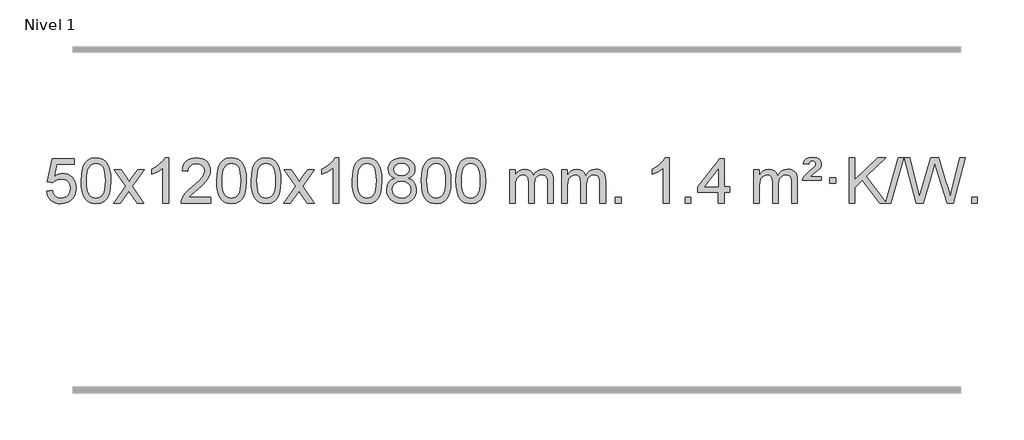
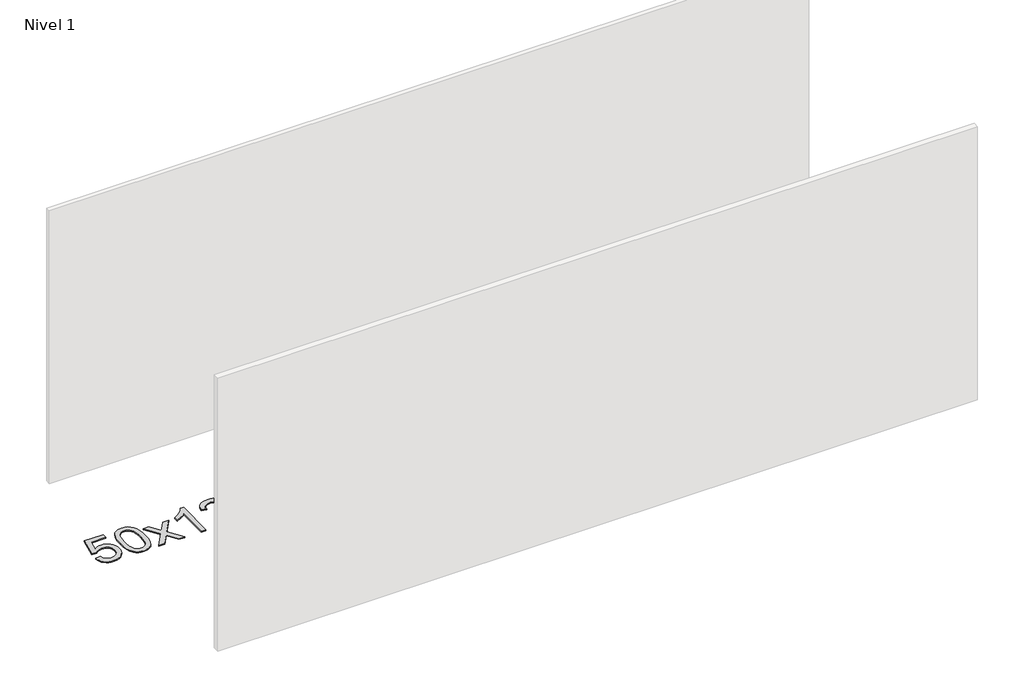
# One storey, part 8 of 10: 1 proxy.
"""IFC4 building model written with IfcOpenShell, lengths in millimetres."""

from ifc_helpers import new_model, si_unit, origin, origin_with_axes, place, context, project, spatial, polyline, outline, extrude, element, save

model = new_model("IFC4")

# Units and contexts
model_context = context("Model", 3, world=origin())
ifc_project = project(units=[si_unit("LENGTHUNIT", "METRE", prefix="MILLI")], contexts=[model_context])

# Site, building, storey
site = spatial("IfcSite", under=ifc_project)
building = spatial("IfcBuilding", under=site)
storey = spatial("IfcBuildingStorey", under=building, Name="Nivel 1", Elevation=0.0)

# Proxy
placement = place(None, origin())
element("IfcBuildingElementProxy", 1, Name="Texto de modelo 1", ObjectType="Texto de modelo 1", at=placement, inside=storey, context=model_context, shape_type="SweptSolid", body=[
    extrude(outline(polyline([(-463.8171603, -284.8446235), (-413.5890052, -278.5661041), (-404.3674299, -308.7201649), (-388.278724, -330.3148381), (-365.3964639, -343.3010725), (-335.794226, -347.6298173), (-316.6643622, -346.1245668), (-299.7908414, -341.6088153), (-285.1736634, -334.0825628), (-272.8128284, -323.5458094), (-262.9842478, -310.519721), (-255.963833, -295.5254641), (-250.3475012, -259.6324441), (-255.6082138, -225.8363514), (-262.1841044, -211.9181493), (-271.3903514, -199.9865099), (-283.2576114, -190.4154467), (-297.8165413, -183.5789729), (-335.0094111, -178.1097939), (-359.3754619, -180.2925604), (-379.1061995, -186.8408599), (-394.8638117, -196.8717757), (-407.3104858, -209.5023908), (-457.5386409, -203.2238715), (-413.5890052, 3.9672682), (-218.9549043, 3.9672682), (-218.9549043, -46.2608869), (-372.974833, -46.2608869), (-394.4591415, -156.919791), (-376.7333607, -144.2155994), (-358.5783842, -135.1411769), (-339.9942121, -129.6965234), (-320.9808443, -127.8816388), (-296.5197573, -130.1318504), (-274.0513645, -136.882485), (-253.5756657, -148.1335427), (-235.0926612, -163.8850234), (-219.7918358, -183.1743027), (-208.8626749, -205.038756), (-202.3051783, -229.4783832), (-200.1193462, -256.4931844), (-202.0875148, -282.5147042), (-207.9920209, -306.7213394), (-217.8328642, -329.1130902), (-231.6100449, -349.6899565), (-252.4812168, -370.7634634), (-276.8350049, -385.8159684), (-304.6714092, -394.8474714), (-335.9904297, -397.8579724), (-361.9107819, -395.9235262), (-385.3234053, -390.1201877), (-406.2282996, -380.447957), (-424.6254651, -366.9068338), (-439.9324218, -350.1712688), (-451.5666899, -330.915712), (-459.5282694, -309.1401636), (-463.8171603, -284.8446235)])), origin_with_axes(), (0.0, 0.0, 1.0), 10.0),
    extrude(outline(polyline([(-156.1697105, -193.9041943), (-152.4786278, -129.5861588), (-141.4053797, -78.2911459), (-123.0603309, -39.2343407), (-111.2022679, -24.0009605), (-97.5538459, -11.6309284), (-82.0690796, -2.0598651), (-64.7019837, 4.7766086), (-24.3208034, 10.2457876), (6.6303351, 7.008426), (34.3441121, -2.7036586), (57.5206778, -18.5103217), (74.8601825, -40.0314184), (87.9567815, -67.0830078), (98.4046302, -99.4811488), (105.2472353, -140.6226186), (107.5281037, -193.9041943), (103.8738092, -257.8543477), (92.9109257, -309.0267333), (74.6762415, -348.1203266), (62.8457697, -363.3996922), (49.2065447, -375.8341036), (33.7033843, -385.4695462), (16.2811061, -392.3520052), (-24.3208034, -397.8579724), (-51.9855294, -395.4667394), (-76.5109958, -388.2930405), (-97.8972024, -376.3368757), (-116.1441494, -359.5982449), (-133.6553324, -329.3399508), (-146.1633202, -291.6381776), (-153.6681129, -246.4929255), (-156.1697105, -193.9041943)]), holes=[polyline([(-105.9415554, -193.8060924), (-104.4700274, -237.4706195), (-100.0554435, -272.8148822), (-92.6978036, -299.8388804), (-82.3971077, -318.5426142), (-69.9381708, -331.2682656), (-56.1058078, -340.3580165), (-40.9000186, -345.8118671), (-24.3208034, -347.6298173), (-7.7415881, -345.8057357), (7.464201, -340.3334911), (21.296564, -331.2130833), (33.7555009, -318.4445124), (44.0561968, -299.7101217), (51.4138367, -272.6922549), (55.8284206, -237.3909118), (57.2999486, -193.8060924), (55.8774716, -151.2973278), (51.6100404, -116.5753989), (44.4976552, -89.6403055), (34.5403158, -70.4920476), (22.2898454, -57.1440625), (8.2980668, -47.6097875), (-7.4350198, -41.8892225), (-24.9094146, -39.9823675), (-41.4027907, -41.6623619), (-56.3510624, -46.7023452), (-69.7542298, -55.1023175), (-81.6122928, -66.8622786), (-92.2563452, -87.708925), (-99.8592397, -115.8151094), (-104.4209765, -151.1808319), (-105.9415554, -193.8060924)])]), origin_with_axes(), (0.0, 0.0, 1.0), 10.0),
    extrude(outline(polyline([(132.6421812, -391.579453), (239.9656219, -243.2494325), (138.9207006, -96.4890419), (199.3514497, -96.4890419), (248.1080768, -167.122385), (270.8677095, -200.4770192), (290.5861845, -173.2047007), (346.1118403, -96.4890419), (406.5425894, -96.4890419), (300.396371, -243.2494325), (402.6185147, -391.579453), (342.1877657, -391.579453), (280.6778961, -302.4048574), (269.3961816, -286.1199477), (193.0729303, -391.579453), (132.6421812, -391.579453)])), origin_with_axes(), (0.0, 0.0, 1.0), 10.0),
    extrude(outline(polyline([(622.3666932, -391.579453), (572.1385381, -391.579453), (572.1385381, -78.4382987), (551.1692644, -95.3976587), (524.5591334, -112.3324932), (471.682228, -137.6918254), (471.682228, -90.2105225), (511.1314406, -68.7507395), (545.3076779, -43.219729), (572.2489027, -16.0700378), (589.9930776, 10.2457876), (622.3666932, 10.2457876), (622.3666932, -391.579453)])), origin_with_axes(), (0.0, 0.0, 1.0), 10.0),
    extrude(outline(polyline([(999.0778563, -341.3512979), (999.0778563, -391.579453), (735.3800421, -391.579453), (736.4836881, -373.8965918), (740.7756447, -356.9494945), (753.1610052, -329.8856424), (771.2853248, -303.6311307), (797.5030484, -276.1503456), (834.1686206, -245.4076736), (888.3699012, -197.2641831), (920.8906695, -161.7267824), (937.1510537, -132.884834), (942.5711818, -104.8277005), (937.4576221, -79.6768347), (922.1169429, -58.7688747), (898.535707, -44.6789943), (868.7004772, -39.9823675), (837.3691939, -44.5686297), (813.0276686, -58.3274163), (797.3191074, -80.1796068), (791.8867166, -109.0460807), (741.6585615, -102.7675613), (745.9781093, -76.838012), (753.8354555, -54.1826125), (765.2306003, -34.8013627), (780.1635437, -18.6942627), (798.290929, -6.0329907), (819.2693997, 3.010775), (843.098956, 8.4370345), (869.7795977, 10.2457876), (896.6993627, 8.2346994), (920.6576776, 2.2014346), (941.6545425, -7.8540066), (959.6899573, -21.9316242), (974.1753109, -38.9890861), (984.521992, -57.9840598), (990.7300007, -78.9165453), (992.7993369, -101.7865427), (990.5675194, -125.8092369), (983.8720671, -149.4149983), (971.9894787, -173.4254299), (954.1962528, -198.6621347), (925.832551, -228.7916701), (882.2385346, -267.4805933), (824.4565359, -315.795762), (801.795005, -341.3512979), (999.0778563, -341.3512979)])), origin_with_axes(), (0.0, 0.0, 1.0), 10.0),
    extrude(outline(polyline([(1049.3060113, -193.9041943), (1052.997094, -129.5861588), (1064.0703421, -78.2911459), (1082.4153909, -39.2343407), (1094.2734539, -24.0009605), (1107.9218759, -11.6309284), (1123.4066422, -2.0598651), (1140.7737381, 4.7766086), (1181.1549184, 10.2457876), (1212.1060569, 7.008426), (1239.8198339, -2.7036586), (1262.9963996, -18.5103217), (1280.3359043, -40.0314184), (1293.4325033, -67.0830078), (1303.880352, -99.4811488), (1310.7229571, -140.6226186), (1313.0038255, -193.9041943), (1309.349531, -257.8543477), (1298.3866475, -309.0267333), (1280.1519633, -348.1203266), (1268.3214915, -363.3996922), (1254.6822665, -375.8341036), (1239.1791061, -385.4695462), (1221.7568279, -392.3520052), (1181.1549184, -397.8579724), (1153.4901924, -395.4667394), (1128.964726, -388.2930405), (1107.5785194, -376.3368757), (1089.3315724, -359.5982449), (1071.8203894, -329.3399508), (1059.3124016, -291.6381776), (1051.8076089, -246.4929255), (1049.3060113, -193.9041943)]), holes=[polyline([(1099.5341664, -193.8060924), (1101.0056944, -237.4706195), (1105.4202783, -272.8148822), (1112.7779182, -299.8388804), (1123.0786141, -318.5426142), (1135.537551, -331.2682656), (1149.369914, -340.3580165), (1164.5757032, -345.8118671), (1181.1549184, -347.6298173), (1197.7341337, -345.8057357), (1212.9399228, -340.3334911), (1226.7722858, -331.2130833), (1239.2312227, -318.4445124), (1249.5319186, -299.7101217), (1256.8895585, -272.6922549), (1261.3041424, -237.3909118), (1262.7756704, -193.8060924), (1261.3531934, -151.2973278), (1257.0857622, -116.5753989), (1249.973377, -89.6403055), (1240.0160376, -70.4920476), (1227.7655672, -57.1440625), (1213.7737886, -47.6097875), (1198.040702, -41.8892225), (1180.5663072, -39.9823675), (1164.0729311, -41.6623619), (1149.1246594, -46.7023452), (1135.721492, -55.1023175), (1123.863429, -66.8622786), (1113.2193766, -87.708925), (1105.6164821, -115.8151094), (1101.0547453, -151.1808319), (1099.5341664, -193.8060924)])]), origin_with_axes(), (0.0, 0.0, 1.0), 10.0),
    extrude(outline(polyline([(1356.9534612, -193.9041943), (1360.6445439, -129.5861588), (1371.7177919, -78.2911459), (1390.0628407, -39.2343407), (1401.9209037, -24.0009605), (1415.5693257, -11.6309284), (1431.054092, -2.0598651), (1448.4211879, 4.7766086), (1488.8023682, 10.2457876), (1519.7535068, 7.008426), (1547.4672837, -2.7036586), (1570.6438494, -18.5103217), (1587.9833541, -40.0314184), (1601.0799532, -67.0830078), (1611.5278018, -99.4811488), (1618.3704069, -140.6226186), (1620.6512753, -193.9041943), (1616.9969808, -257.8543477), (1606.0340974, -309.0267333), (1587.7994131, -348.1203266), (1575.9689413, -363.3996922), (1562.3297163, -375.8341036), (1546.8265559, -385.4695462), (1529.4042778, -392.3520052), (1488.8023682, -397.8579724), (1461.1376422, -395.4667394), (1436.6121759, -388.2930405), (1415.2259692, -376.3368757), (1396.9790222, -359.5982449), (1379.4678393, -329.3399508), (1366.9598514, -291.6381776), (1359.4550587, -246.4929255), (1356.9534612, -193.9041943)]), holes=[polyline([(1407.1816162, -193.8060924), (1408.6531442, -237.4706195), (1413.0677282, -272.8148822), (1420.4253681, -299.8388804), (1430.7260639, -318.5426142), (1443.1850008, -331.2682656), (1457.0173639, -340.3580165), (1472.223153, -345.8118671), (1488.8023682, -347.6298173), (1505.3815835, -345.8057357), (1520.5873726, -340.3334911), (1534.4197356, -331.2130833), (1546.8786725, -318.4445124), (1557.1793684, -299.7101217), (1564.5370083, -272.6922549), (1568.9515923, -237.3909118), (1570.4231202, -193.8060924), (1569.0006432, -151.2973278), (1564.733212, -116.5753989), (1557.6208268, -89.6403055), (1547.6634875, -70.4920476), (1535.413017, -57.1440625), (1521.4212385, -47.6097875), (1505.6881518, -41.8892225), (1488.213757, -39.9823675), (1471.7203809, -41.6623619), (1456.7721092, -46.7023452), (1443.3689418, -55.1023175), (1431.5108789, -66.8622786), (1420.8668265, -87.708925), (1413.2639319, -115.8151094), (1408.7021952, -151.1808319), (1407.1816162, -193.8060924)])]), origin_with_axes(), (0.0, 0.0, 1.0), 10.0),
    extrude(outline(polyline([(1645.7653528, -391.579453), (1753.0887936, -243.2494325), (1652.0438722, -96.4890419), (1712.4746213, -96.4890419), (1761.2312484, -167.122385), (1783.9908812, -200.4770192), (1803.7093561, -173.2047007), (1859.2350119, -96.4890419), (1919.665761, -96.4890419), (1813.5195426, -243.2494325), (1915.7416864, -391.579453), (1855.3109373, -391.579453), (1793.8010677, -302.4048574), (1782.5193532, -286.1199477), (1706.1961019, -391.579453), (1645.7653528, -391.579453)])), origin_with_axes(), (0.0, 0.0, 1.0), 10.0),
    extrude(outline(polyline([(2135.4898648, -391.579453), (2085.2617098, -391.579453), (2085.2617098, -78.4382987), (2064.292436, -95.3976587), (2037.682305, -112.3324932), (1984.8053996, -137.6918254), (1984.8053996, -90.2105225), (2024.2546122, -68.7507395), (2058.4308496, -43.219729), (2085.3720743, -16.0700378), (2103.1162492, 10.2457876), (2135.4898648, 10.2457876), (2135.4898648, -391.579453)])), origin_with_axes(), (0.0, 0.0, 1.0), 10.0),
    extrude(outline(polyline([(2254.7817331, -193.9041943), (2258.4728158, -129.5861588), (2269.5460639, -78.2911459), (2287.8911127, -39.2343407), (2299.7491757, -24.0009605), (2313.3975977, -11.6309284), (2328.882364, -2.0598651), (2346.2494599, 4.7766086), (2386.6306402, 10.2457876), (2417.5817787, 7.008426), (2445.2955557, -2.7036586), (2468.4721214, -18.5103217), (2485.8116261, -40.0314184), (2498.9082251, -67.0830078), (2509.3560738, -99.4811488), (2516.1986789, -140.6226186), (2518.4795473, -193.9041943), (2514.8252528, -257.8543477), (2503.8623693, -309.0267333), (2485.6276851, -348.1203266), (2473.7972133, -363.3996922), (2460.1579883, -375.8341036), (2444.6548279, -385.4695462), (2427.2325497, -392.3520052), (2386.6306402, -397.8579724), (2358.9659142, -395.4667394), (2334.4404478, -388.2930405), (2313.0542412, -376.3368757), (2294.8072942, -359.5982449), (2277.2961112, -329.3399508), (2264.7881234, -291.6381776), (2257.2833307, -246.4929255), (2254.7817331, -193.9041943)]), holes=[polyline([(2305.0098882, -193.8060924), (2306.4814162, -237.4706195), (2310.8960001, -272.8148822), (2318.25364, -299.8388804), (2328.5543359, -318.5426142), (2341.0132728, -331.2682656), (2354.8456358, -340.3580165), (2370.0514249, -345.8118671), (2386.6306402, -347.6298173), (2403.2098554, -345.8057357), (2418.4156446, -340.3334911), (2432.2480076, -331.2130833), (2444.7069445, -318.4445124), (2455.0076404, -299.7101217), (2462.3652803, -272.6922549), (2466.7798642, -237.3909118), (2468.2513922, -193.8060924), (2466.8289151, -151.2973278), (2462.561484, -116.5753989), (2455.4490988, -89.6403055), (2445.4917594, -70.4920476), (2433.241289, -57.1440625), (2419.2495104, -47.6097875), (2403.5164238, -41.8892225), (2386.042029, -39.9823675), (2369.5486529, -41.6623619), (2354.6003812, -46.7023452), (2341.1972138, -55.1023175), (2329.3391508, -66.8622786), (2318.6950984, -87.708925), (2311.0922039, -115.8151094), (2306.5304671, -151.1808319), (2305.0098882, -193.8060924)])]), origin_with_axes(), (0.0, 0.0, 1.0), 10.0),
    extrude(outline(polyline([(2635.6131745, -170.2616447), (2608.7210007, -157.0178929), (2589.8486543, -139.0652515), (2578.7018299, -116.7716026), (2574.9862217, -90.5048281), (2577.0095727, -70.0199324), (2583.0796256, -51.2395565), (2593.1963805, -34.1637006), (2607.3598373, -18.7923645), (2624.8894144, -6.088173), (2645.10453, 2.9862496), (2668.0051842, 8.4309031), (2693.591377, 10.2457876), (2719.3001971, 8.3879835), (2742.3725295, 2.8145713), (2762.8083744, -6.4744491), (2780.6077316, -19.4790776), (2795.0287058, -35.1508506), (2805.3294016, -52.4413044), (2811.5098192, -71.3504389), (2813.5699583, -91.8782543), (2809.9034011, -117.2989001), (2798.9037295, -139.2124043), (2780.448316, -157.0546811), (2754.4145335, -170.2616447), (2785.3288838, -186.1909351), (2807.8309992, -209.6495436), (2821.5529976, -239.5092989), (2826.1269971, -274.6420295), (2823.8583915, -299.6947933), (2817.0525746, -322.6628926), (2805.7095464, -343.5463272), (2789.8293069, -362.3450971), (2770.245722, -377.88198), (2747.7926576, -388.9797536), (2722.4701136, -395.6384177), (2694.27809, -397.8579724), (2666.0860665, -395.6292206), (2640.7635225, -388.9429654), (2618.310458, -377.7992066), (2598.7268732, -362.1979443), (2582.8466337, -343.26735), (2571.5036055, -322.135595), (2564.6977886, -298.8026795), (2562.429183, -273.2686033), (2567.1871234, -236.7747094), (2581.4609448, -206.7555386), (2604.5148832, -184.2411605), (2635.6131745, -170.2616447)]), holes=[polyline([(2612.657338, -271.5027698), (2614.7542654, -290.7184726), (2621.0450475, -309.3210389), (2632.6578558, -325.5446349), (2650.7208618, -337.623427), (2672.3523231, -345.1282197), (2694.6704975, -347.6298173), (2728.8589976, -342.3691048), (2742.7526743, -335.7932141), (2754.5126354, -326.5869672), (2770.5522904, -302.6869002), (2775.898842, -273.0723996), (2770.3806121, -242.9551269), (2753.8259223, -218.5277625), (2741.7471301, -209.0854579), (2727.5836733, -202.3409547), (2693.0027658, -196.9453521), (2659.2925123, -202.2673783), (2645.5551855, -208.919911), (2633.8963919, -218.2334569), (2617.9671015, -242.1948375), (2612.657338, -271.5027698)]), polyline([(2625.2143768, -91.9763561), (2629.6657489, -113.902123), (2643.0198654, -131.413306), (2664.8843186, -142.8912243), (2694.8667012, -146.717197), (2724.150108, -142.9157497), (2745.6834675, -131.5114079), (2758.9272193, -114.5888361), (2763.3418033, -94.232699), (2758.7800665, -73.1040098), (2745.0948563, -55.629615), (2723.2671913, -43.8941794), (2694.27809, -39.9823675), (2665.1050478, -43.8083402), (2643.314171, -55.2862585), (2629.7393253, -72.1107284), (2625.2143768, -91.9763561)])]), origin_with_axes(), (0.0, 0.0, 1.0), 10.0),
    extrude(outline(polyline([(2870.0766328, -193.9041943), (2873.7677155, -129.5861588), (2884.8409635, -78.2911459), (2903.1860124, -39.2343407), (2915.0440753, -24.0009605), (2928.6924974, -11.6309284), (2944.1772637, -2.0598651), (2961.5443595, 4.7766086), (3001.9255399, 10.2457876), (3032.8766784, 7.008426), (3060.5904554, -2.7036586), (3083.7670211, -18.5103217), (3101.1065258, -40.0314184), (3114.2031248, -67.0830078), (3124.6509735, -99.4811488), (3131.4935786, -140.6226186), (3133.7744469, -193.9041943), (3130.1201525, -257.8543477), (3119.157269, -309.0267333), (3100.9225848, -348.1203266), (3089.0921129, -363.3996922), (3075.452888, -375.8341036), (3059.9497276, -385.4695462), (3042.5274494, -392.3520052), (3001.9255399, -397.8579724), (2974.2608138, -395.4667394), (2949.7353475, -388.2930405), (2928.3491408, -376.3368757), (2910.1021939, -359.5982449), (2892.5910109, -329.3399508), (2880.0830231, -291.6381776), (2872.5782304, -246.4929255), (2870.0766328, -193.9041943)]), holes=[polyline([(2920.3047879, -193.8060924), (2921.7763158, -237.4706195), (2926.1908998, -272.8148822), (2933.5485397, -299.8388804), (2943.8492356, -318.5426142), (2956.3081725, -331.2682656), (2970.1405355, -340.3580165), (2985.3463246, -345.8118671), (3001.9255399, -347.6298173), (3018.5047551, -345.8057357), (3033.7105442, -340.3334911), (3047.5429073, -331.2130833), (3060.0018442, -318.4445124), (3070.30254, -299.7101217), (3077.6601799, -272.6922549), (3082.0747639, -237.3909118), (3083.5462919, -193.8060924), (3082.1238148, -151.2973278), (3077.8563837, -116.5753989), (3070.7439984, -89.6403055), (3060.7866591, -70.4920476), (3048.5361887, -57.1440625), (3034.5444101, -47.6097875), (3018.8113234, -41.8892225), (3001.3369287, -39.9823675), (2984.8435526, -41.6623619), (2969.8952808, -46.7023452), (2956.4921135, -55.1023175), (2944.6340505, -66.8622786), (2933.9899981, -87.708925), (2926.3871035, -115.8151094), (2921.8253668, -151.1808319), (2920.3047879, -193.8060924)])]), origin_with_axes(), (0.0, 0.0, 1.0), 10.0),
    extrude(outline(polyline([(3177.7240826, -193.9041943), (3181.4151653, -129.5861588), (3192.4884134, -78.2911459), (3210.8334622, -39.2343407), (3222.6915252, -24.0009605), (3236.3399472, -11.6309284), (3251.8247135, -2.0598651), (3269.1918094, 4.7766086), (3309.5729897, 10.2457876), (3340.5241282, 7.008426), (3368.2379052, -2.7036586), (3391.4144709, -18.5103217), (3408.7539756, -40.0314184), (3421.8505746, -67.0830078), (3432.2984233, -99.4811488), (3439.1410284, -140.6226186), (3441.4218968, -193.9041943), (3437.7676023, -257.8543477), (3426.8047188, -309.0267333), (3408.5700346, -348.1203266), (3396.7395628, -363.3996922), (3383.1003378, -375.8341036), (3367.5971774, -385.4695462), (3350.1748992, -392.3520052), (3309.5729897, -397.8579724), (3281.9082637, -395.4667394), (3257.3827973, -388.2930405), (3235.9965907, -376.3368757), (3217.7496437, -359.5982449), (3200.2384607, -329.3399508), (3187.7304729, -291.6381776), (3180.2256802, -246.4929255), (3177.7240826, -193.9041943)]), holes=[polyline([(3227.9522377, -193.8060924), (3229.4237657, -237.4706195), (3233.8383496, -272.8148822), (3241.1959895, -299.8388804), (3251.4966854, -318.5426142), (3263.9556223, -331.2682656), (3277.7879853, -340.3580165), (3292.9937744, -345.8118671), (3309.5729897, -347.6298173), (3326.1522049, -345.8057357), (3341.3579941, -340.3334911), (3355.1903571, -331.2130833), (3367.649294, -318.4445124), (3377.9499899, -299.7101217), (3385.3076298, -272.6922549), (3389.7222137, -237.3909118), (3391.1937417, -193.8060924), (3389.7712646, -151.2973278), (3385.5038335, -116.5753989), (3378.3914483, -89.6403055), (3368.4341089, -70.4920476), (3356.1836385, -57.1440625), (3342.1918599, -47.6097875), (3326.4587733, -41.8892225), (3308.9843785, -39.9823675), (3292.4910024, -41.6623619), (3277.5427307, -46.7023452), (3264.1395633, -55.1023175), (3252.2815003, -66.8622786), (3241.6374479, -87.708925), (3234.0345534, -115.8151094), (3229.4728166, -151.1808319), (3227.9522377, -193.8060924)])]), origin_with_axes(), (0.0, 0.0, 1.0), 10.0),
    extrude(outline(polyline([(3654.8915558, -391.579453), (3654.8915558, -96.4890419), (3705.1197109, -96.4890419), (3705.1197109, -145.0494653), (3720.2273982, -122.7435537), (3739.6515675, -105.2691589), (3762.7300314, -93.9751816), (3788.8006021, -90.2105225), (3816.7351082, -94.048758), (3839.126859, -105.5634645), (3855.8532271, -123.9943524), (3866.7915851, -148.5811324), (3885.0998457, -123.0439906), (3905.9832803, -104.803175), (3929.4418888, -93.8586857), (3955.4756714, -90.2105225), (3975.5834881, -91.7280358), (3993.2326268, -96.2805755), (4008.4230875, -103.8681416), (4021.1548702, -114.4907342), (4031.2195085, -128.2709806), (4038.4085358, -145.3315082), (4042.7219522, -165.6723168), (4044.1597577, -189.2934066), (4044.1597577, -391.579453), (3993.9316026, -391.579453), (3993.9316026, -210.875817), (3992.7666429, -185.8230531), (3989.271764, -168.9372695), (3982.7234645, -157.3735121), (3972.3982431, -148.2868268), (3959.1177031, -142.4007149), (3943.7034475, -140.4386776), (3916.4924426, -145.4663982), (3894.3091583, -160.54956), (3885.7037853, -172.1194488), (3879.5570903, -186.7182326), (3874.6397343, -225.0024856), (3874.6397343, -391.579453), (3824.4115792, -391.579453), (3824.4115792, -205.2840106), (3821.5053115, -176.8835206), (3812.7865082, -156.6254854), (3797.445829, -144.4853796), (3774.6739335, -140.4386776), (3755.3233405, -143.1364789), (3737.4933265, -151.2298828), (3722.7780467, -164.5226856), (3712.7716564, -182.8186835), (3707.0326973, -208.2025411), (3705.1197109, -242.7589232), (3705.1197109, -391.579453), (3654.8915558, -391.579453)])), origin_with_axes(), (0.0, 0.0, 1.0), 10.0),
    extrude(outline(polyline([(4119.5019903, -391.579453), (4119.5019903, -96.4890419), (4169.7301454, -96.4890419), (4169.7301454, -145.0494653), (4184.8378326, -122.7435537), (4204.262002, -105.2691589), (4227.3404658, -93.9751816), (4253.4110365, -90.2105225), (4281.3455427, -94.048758), (4303.7372935, -105.5634645), (4320.4636615, -123.9943524), (4331.4020195, -148.5811324), (4349.7102801, -123.0439906), (4370.5937147, -104.803175), (4394.0523233, -93.8586857), (4420.0861058, -90.2105225), (4440.1939225, -91.7280358), (4457.8430612, -96.2805755), (4473.033522, -103.8681416), (4485.7653047, -114.4907342), (4495.8299429, -128.2709806), (4503.0189703, -145.3315082), (4507.3323866, -165.6723168), (4508.7701921, -189.2934066), (4508.7701921, -391.579453), (4458.542037, -391.579453), (4458.542037, -210.875817), (4457.3770774, -185.8230531), (4453.8821984, -168.9372695), (4447.3338989, -157.3735121), (4437.0086776, -148.2868268), (4423.7281376, -142.4007149), (4408.313882, -140.4386776), (4381.1028771, -145.4663982), (4358.9195927, -160.54956), (4350.3142197, -172.1194488), (4344.1675247, -186.7182326), (4339.2501687, -225.0024856), (4339.2501687, -391.579453), (4289.0220137, -391.579453), (4289.0220137, -205.2840106), (4286.1157459, -176.8835206), (4277.3969426, -156.6254854), (4262.0562634, -144.4853796), (4239.2843679, -140.4386776), (4219.933775, -143.1364789), (4202.1037609, -151.2298828), (4187.3884811, -164.5226856), (4177.3820909, -182.8186835), (4171.6431317, -208.2025411), (4169.7301454, -242.7589232), (4169.7301454, -391.579453), (4119.5019903, -391.579453)])), origin_with_axes(), (0.0, 0.0, 1.0), 10.0),
    extrude(outline(polyline([(4596.6694635, -391.579453), (4596.6694635, -341.3512979), (4646.8976186, -341.3512979), (4646.8976186, -391.579453), (4596.6694635, -391.579453)])), origin_with_axes(), (0.0, 0.0, 1.0), 10.0),
    extrude(outline(polyline([(5073.8369367, -391.579453), (5023.6087816, -391.579453), (5023.6087816, -78.4382987), (5002.6395079, -95.3976587), (4976.0293769, -112.3324932), (4923.1524715, -137.6918254), (4923.1524715, -90.2105225), (4962.6016841, -68.7507395), (4996.7779214, -43.219729), (5023.7191462, -16.0700378), (5041.4633211, 10.2457876), (5073.8369367, 10.2457876), (5073.8369367, -391.579453)])), origin_with_axes(), (0.0, 0.0, 1.0), 10.0),
    extrude(outline(polyline([(5218.2428825, -391.579453), (5218.2428825, -341.3512979), (5268.4710376, -341.3512979), (5268.4710376, -391.579453), (5218.2428825, -391.579453)])), origin_with_axes(), (0.0, 0.0, 1.0), 10.0),
    extrude(outline(polyline([(5513.3332936, -391.579453), (5513.3332936, -297.4016622), (5331.2562315, -297.4016622), (5331.2562315, -247.1735072), (5525.8903324, 3.9672682), (5563.5614487, 3.9672682), (5563.5614487, -247.1735072), (5613.7896038, -247.1735072), (5613.7896038, -297.4016622), (5563.5614487, -297.4016622), (5563.5614487, -391.579453), (5513.3332936, -391.579453)]), holes=[polyline([(5513.3332936, -247.1735072), (5513.3332936, -91.9763561), (5393.0604066, -247.1735072), (5513.3332936, -247.1735072)])]), origin_with_axes(), (0.0, 0.0, 1.0), 10.0),
    extrude(outline(polyline([(5827.2592628, -391.579453), (5827.2592628, -96.4890419), (5877.4874179, -96.4890419), (5877.4874179, -145.0494653), (5892.5951052, -122.7435537), (5912.0192745, -105.2691589), (5935.0977383, -93.9751816), (5961.1683091, -90.2105225), (5989.1028152, -94.048758), (6011.494566, -105.5634645), (6028.2209341, -123.9943524), (6039.159292, -148.5811324), (6057.4675527, -123.0439906), (6078.3509873, -104.803175), (6101.8095958, -93.8586857), (6127.8433783, -90.2105225), (6147.9511951, -91.7280358), (6165.6003338, -96.2805755), (6180.7907945, -103.8681416), (6193.5225772, -114.4907342), (6203.5872155, -128.2709806), (6210.7762428, -145.3315082), (6215.0896592, -165.6723168), (6216.5274647, -189.2934066), (6216.5274647, -391.579453), (6166.2993096, -391.579453), (6166.2993096, -210.875817), (6165.1343499, -185.8230531), (6161.639471, -168.9372695), (6155.0911715, -157.3735121), (6144.7659501, -148.2868268), (6131.4854101, -142.4007149), (6116.0711545, -140.4386776), (6088.8601496, -145.4663982), (6066.6768653, -160.54956), (6058.0714923, -172.1194488), (6051.9247973, -186.7182326), (6047.0074413, -225.0024856), (6047.0074413, -391.579453), (5996.7792862, -391.579453), (5996.7792862, -205.2840106), (5993.8730184, -176.8835206), (5985.1542152, -156.6254854), (5969.813536, -144.4853796), (5947.0416405, -140.4386776), (5927.6910475, -143.1364789), (5909.8610335, -151.2298828), (5895.1457537, -164.5226856), (5885.1393634, -182.8186835), (5879.4004043, -208.2025411), (5877.4874179, -242.7589232), (5877.4874179, -391.579453), (5827.2592628, -391.579453)])), origin_with_axes(), (0.0, 0.0, 1.0), 10.0),
    extrude(outline(polyline([(6260.4771003, -190.6668327), (6264.3030731, -174.8479069), (6272.6417317, -158.9799302), (6294.1505656, -133.8413272), (6326.1072483, -106.1030247), (6370.2530877, -68.726214), (6377.3899984, -57.1992448), (6379.7689686, -45.3779701), (6377.8805077, -33.2869152), (6372.215125, -23.5012541), (6362.8463969, -17.026531), (6349.8478997, -14.8682899), (6337.4134883, -16.4869707), (6328.5597949, -21.343013), (6322.1341227, -30.8098431), (6316.9837748, -46.2608869), (6266.7556197, -39.9823675), (6277.5958759, -14.7701881), (6294.224142, 2.7900458), (6317.9893189, 13.0907417), (6350.2403072, 16.524307), (6386.0229626, 12.3917659), (6410.7691581, -0.0058573), (6425.1901323, -18.3386434), (6429.9971237, -40.2766731), (6425.9013708, -63.1834586), (6413.6141122, -84.8149199), (6393.0862969, -104.6314968), (6356.6169284, -132.6886303), (6331.0123416, -159.2742358), (6429.9971237, -159.2742358), (6429.9971237, -190.6668327), (6260.4771003, -190.6668327)])), origin_with_axes(), (0.0, 0.0, 1.0), 10.0),
    extrude(outline(polyline([(6505.3393563, -215.7809102), (6505.3393563, -165.5527552), (6555.5675114, -165.5527552), (6555.5675114, -215.7809102), (6505.3393563, -215.7809102)])), origin_with_axes(), (0.0, 0.0, 1.0), 10.0),
    extrude(outline(polyline([(6946.2091394, -391.579453), (6792.7778219, -188.9009991), (6725.0875348, -253.4520265), (6725.0875348, -391.579453), (6674.8593797, -391.579453), (6674.8593797, 10.2457876), (6725.0875348, 10.2457876), (6725.0875348, -186.4484525), (6931.1014521, 10.2457876), (7001.3423877, 10.2457876), (6828.388799, -154.9577537), (7003.0424089, -385.5349332), (7114.3557366, 10.2457876), (7159.6787984, 10.2457876), (7046.6654495, -391.579453), (7007.6209071, -391.579453), (7001.3423877, -391.579453), (6946.2091394, -391.579453)])), origin_with_axes(), (0.0, 0.0, 1.0), 10.0),
    extrude(outline(polyline([(7274.1636753, -391.579453), (7164.5838917, 10.2457876), (7216.3816766, 10.2457876), (7279.9516854, -253.844434), (7299.5720585, -335.3670841), (7320.5658576, -263.2622131), (7400.2245723, 10.2457876), (7474.8800919, 10.2457876), (7532.7601925, -188.0180823), (7557.5554389, -261.5944814), (7575.8269114, -335.3670841), (7594.8586732, -256.1988788), (7659.0172932, 10.2457876), (7710.8150781, 10.2457876), (7601.1371926, -391.579453), (7547.4754723, -391.579453), (7451.1394405, -81.5775584), (7437.6994849, -38.3146358), (7422.5917976, -90.4067263), (7334.7906281, -391.579453), (7274.1636753, -391.579453)])), origin_with_axes(), (0.0, 0.0, 1.0), 10.0),
    extrude(outline(polyline([(7767.3217526, -391.579453), (7767.3217526, -341.3512979), (7817.5499077, -341.3512979), (7817.5499077, -391.579453), (7767.3217526, -391.579453)])), origin_with_axes(), (0.0, 0.0, 1.0), 10.0),
])

save(model, "model.ifc")
